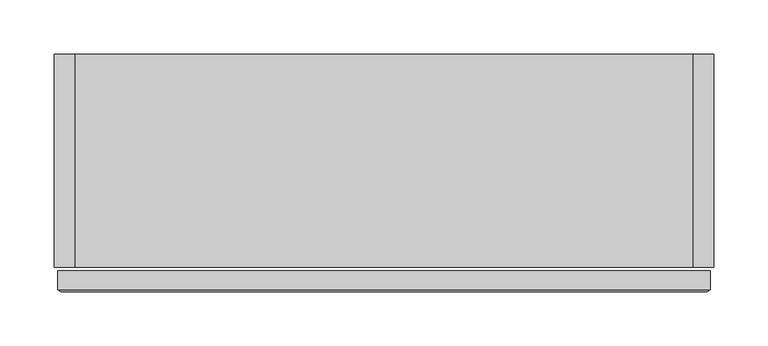
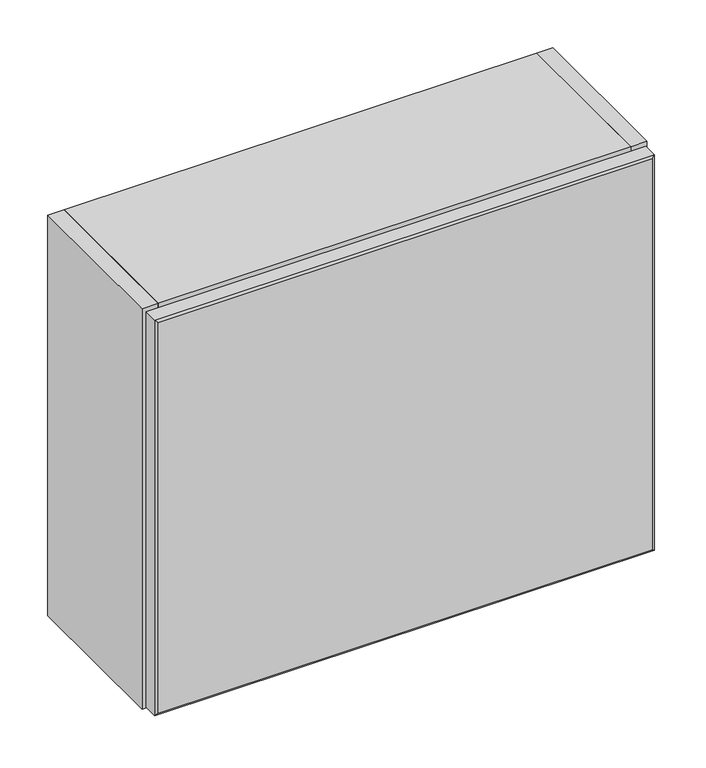
"""IFC4 building model written with IfcOpenShell, lengths in millimetres: furniture geometry."""

from ifc_helpers import new_model, si_unit, frame, origin, place, context, project, spatial, polyline, outline, extrude, faceted_brep, source, transform, mapped, element, save


def furniture_16f37a30(model_context):
    return source(origin(), model_context, "Body", "SolidModel", [
        extrude(outline(polyline([(303.9916112, -195.2744063), (-266.5162013, -195.2744063), (-266.5162013, -19.5460937), (303.9916112, -19.5460937), (303.9916112, -195.2744063)])), frame((0.0, 0.0, 1629.648125), z_axis=(0.0, 0.0, 1.0), x_axis=(1.0, 0.0, 0.0)), (0.0, 0.0, 1.0), 19.5460938),
        extrude(outline(polyline([(303.9916112, 0.0), (303.9916112, -196.8619063), (-266.5162013, -196.8619063), (-266.5162013, 0.0), (303.9916112, 0.0)])), frame((0.0, 0.0, 2099.4489063), z_axis=(0.0, 0.0, 1.0), x_axis=(1.0, 0.0, 0.0)), (0.0, 0.0, 1.0), 19.5460938),
        extrude(outline(polyline([(-266.5162013, 0.0), (-266.5162013, -196.8619063), (-286.0622951, -196.8619063), (-286.0622951, 0.0), (-266.5162013, 0.0)])), frame((0.0, 0.0, 1608.1176562), z_axis=(0.0, 0.0, 1.0), x_axis=(1.0, 0.0, 0.0)), (0.0, 0.0, 1.0), 510.8773437),
        extrude(outline(polyline([(323.5377049, 0.0), (323.5377049, -196.8619063), (303.9916112, -196.8619063), (303.9916112, 0.0), (323.5377049, 0.0)])), frame((0.0, 0.0, 1608.1176562), z_axis=(0.0, 0.0, 1.0), x_axis=(1.0, 0.0, 0.0)), (0.0, 0.0, 1.0), 510.8773437),
        faceted_brep([(317.1877049, -219.583, 1614.4676562), (317.1877049, -219.583, 2112.645), (-279.7122951, -219.583, 2112.645), (-279.7122951, -219.583, 1614.4676562), (320.3627049, -200.0369063, 2115.82), (320.3627049, -200.0369063, 1611.2926562), (-282.8872951, -200.0369063, 1611.2926562), (-282.8872951, -200.0369063, 2115.82), (-282.8872951, -217.7970625, 2115.82), (320.3627049, -217.7970625, 2115.82), (-282.8872951, -217.7970625, 1611.2926562), (320.3627049, -217.7970625, 1611.2926562)], [[[0, 1, 2, 3]], [[4, 5, 6, 7]], [[4, 7, 8, 9]], [[7, 6, 10, 8]], [[6, 5, 11, 10]], [[5, 4, 9, 11]], [[0, 11, 9, 1]], [[11, 0, 3, 10]], [[10, 3, 2, 8]], [[1, 9, 8, 2]]]),
        extrude(outline(polyline([(-266.5162013, 0.0), (303.9916112, 0.0), (303.9916112, -19.5460937), (-266.5162013, -19.5460937), (-266.5162013, 0.0)])), frame((0.0, 0.0, 1608.1176562), z_axis=(0.0, 0.0, 1.0), x_axis=(1.0, 0.0, 0.0)), (0.0, 0.0, 1.0), 491.33125),
    ])


if __name__ == "__main__":
    model = new_model("IFC4")
    model_context = context("Model", 3, world=origin())
    ifc_project = project(units=[si_unit("LENGTHUNIT", "METRE", prefix="MILLI")], contexts=[model_context])
    site = spatial("IfcSite", under=ifc_project)
    building = spatial("IfcBuilding", under=site)
    placement = place(None, origin())
    furniture_shape = furniture_16f37a30(model_context)
    element("IfcFurniture", 1, at=placement, inside=building, context=model_context, shape_type="MappedRepresentation", body=[
        mapped(furniture_shape, transform((0.0, 0.0, 0.0), x_axis=(1.0, 0.0, 0.0), y_axis=(0.0, 1.0, 0.0), z_axis=(0.0, 0.0, 1.0))),
    ])
    save(model, "model.ifc")
